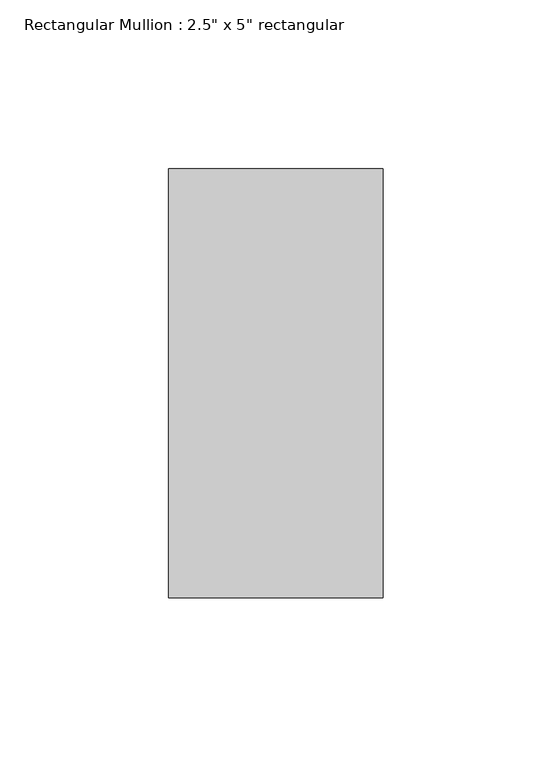
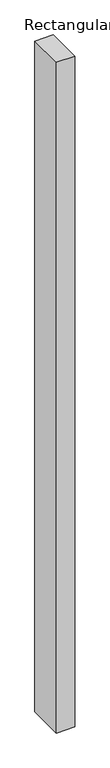
"""IFC4 building model written with IfcOpenShell, lengths in millimetres: member geometry."""

from ifc_helpers import new_model, si_unit, frame, origin, place, context, project, spatial, polyline, outline, extrude, source, transform, mapped, element, save


def member_0a43edd3(model_context):
    return source(origin(), model_context, "Body", "SweptSolid", [
        extrude(outline(polyline([(0.0, 63.5), (0.0, -63.5), (-63.5, -63.5), (-63.5, 63.5), (0.0, 63.5)])), frame((0.0, 0.0, -2425.0532429), z_axis=(0.0, 0.0, 1.0), x_axis=(1.0, 0.0, 0.0)), (0.0, 0.0, 1.0), 2425.0532429),
    ])


if __name__ == "__main__":
    model = new_model("IFC4")
    model_context = context("Model", 3, world=origin())
    ifc_project = project(units=[si_unit("LENGTHUNIT", "METRE", prefix="MILLI")], contexts=[model_context])
    site = spatial("IfcSite", under=ifc_project)
    building = spatial("IfcBuilding", under=site)
    placement = place(None, origin())
    member_shape = member_0a43edd3(model_context)
    element("IfcMember", 1, ObjectType="Rectangular Mullion : 2.5\" x 5\" rectangular", at=placement, inside=building, context=model_context, shape_type="MappedRepresentation", body=[
        mapped(member_shape, transform((0.0, 0.0, 0.0), x_axis=(1.0, 0.0, 0.0), y_axis=(0.0, 1.0, 0.0), z_axis=(0.0, 0.0, 1.0))),
    ])
    save(model, "model.ifc")
